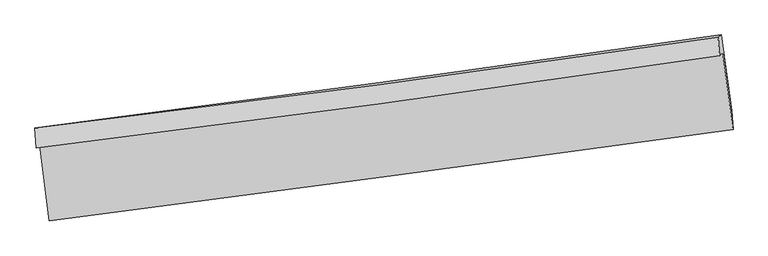
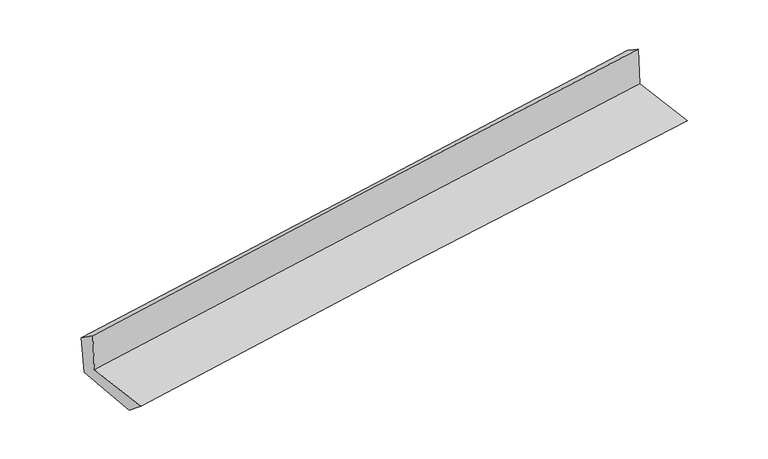
"""IFC4 building model written with IfcOpenShell, lengths in millimetres: proxy geometry."""

from ifc_helpers import new_model, si_unit, frame, origin, place, context, project, spatial, source, transform, mapped, element, save
from ifc_brep_helpers import plane_surface, spline_curve, spline_surface, advanced_brep


def generic_models_b5fe0876(model_context):
    return source(origin(), model_context, "Body", "AdvancedBrep", [
        advanced_brep(
        [(-2987.7286576, -1903.3652251, 1660.9405489), (-2904.0962414, -2561.4031109, 1643.1765909), (3035.7322627, -1765.0471079, 2107.598309), (2947.1005441, -1097.4068764, 2125.3309883), (-3016.1888562, -1926.8469503, 2046.5039006), (2918.2499232, -1121.2237324, 2516.4377281), (-3027.8721798, -1750.1725163, 1918.9871916), (2905.7814126, -961.1759428, 2413.2660253), (-2997.7412918, -1745.31773, 1541.4774585), (2934.3544219, -941.2117985, 2031.7129368), (-2914.2994117, -2385.1423033, 1498.1153575), (3024.122587, -1601.0730762, 1987.6429607)],
        [
            (0, 1),
            (1, 2, spline_curve(3, [(-2904.0962414, -2561.4031109, 1643.1765909), (-1915.565480581, -2431.096792033, 1735.730367241), (-926.560478254, -2299.614178166, 1820.693614879), (1053.381413483, -2034.16451668, 1975.515949354), (2044.319245591, -1900.195129412, 2045.359941466), (3035.7322627, -1765.0471079, 2107.598309)], [4, 2, 4], [0.0, 9.852910826853057, 19.71561406554074])),
            (2, 3),
            (3, 0, spline_curve(3, [(2947.1005441, -1097.4068764, 2125.3309883), (1957.93265566, -1244.086866633, 2062.841259582), (968.533852338, -1384.620364746, 1992.874258799), (-1009.743006503, -1653.260948423, 1838.062604929), (-1998.620603897, -1781.380232979, 1753.23279286), (-2987.7286576, -1903.3652251, 1660.9405489)], [4, 2, 4], [0.0, 9.862703238687685, 19.71561406554074])),
            (4, 0),
            (3, 5),
            (5, 4, spline_curve(3, [(2918.2499232, -1121.2237324, 2516.4377281), (1928.795674677, -1268.137479033, 2457.778196506), (939.286330122, -1408.75984234, 2389.262934925), (-1038.860039299, -1677.288427856, 2232.598764317), (-2027.496954374, -1805.207137563, 2144.469416798), (-3016.1888562, -1926.8469503, 2046.5039006)], [4, 2, 4], [0.0, 9.859914020212372, 19.710038397929857])),
            (6, 4),
            (5, 7),
            (7, 6, spline_curve(3, [(2905.7814126, -961.1759428, 2413.2660253), (1917.288326236, -1106.427442892, 2342.270311518), (928.324821685, -1244.832165133, 2265.559255977), (-1049.560643048, -1507.817433935, 2100.788301367), (-2038.481668939, -1632.411569248, 2012.739745464), (-3027.8721798, -1750.1725163, 1918.9871916)], [4, 2, 4], [0.0, 9.858992908210979, 19.708197088474314])),
            (8, 6),
            (7, 9),
            (9, 8, spline_curve(3, [(2934.3544219, -941.2117985, 2031.7129368), (1945.367630194, -1084.10458555, 1963.162689856), (956.287347705, -1222.590901255, 1888.011041676), (-1021.078075964, -1490.617465887, 1724.58611352), (-2009.363030963, -1620.166460585, 1636.325935361), (-2997.7412918, -1745.31773, 1541.4774585)], [4, 2, 4], [0.0, 9.858112141432704, 19.706436429407326])),
            (10, 8),
            (9, 11),
            (11, 10, spline_curve(3, [(3024.122587, -1601.0730762, 1987.6429607), (2033.472613432, -1737.116051198, 1919.559792584), (1043.033438705, -1870.507777477, 1844.700616027), (-936.440142278, -2131.858924631, 1681.511299745), (-1925.474967341, -2259.823607172, 1593.194608502), (-2914.2994117, -2385.1423033, 1498.1153575)], [4, 2, 4], [0.0, 9.86106245146563, 19.71233412018998])),
            (1, 10),
            (11, 2),
        ],
        [
            spline_surface(3, 3, [[(-2987.7286576, -1903.3652251, 1660.9405489), (-1998.620603906, -1781.380232998, 1753.232792709), (-1009.74300653, -1653.260948378, 1838.062605002), (968.533852365, -1384.620364791, 1992.874258726), (1957.932655518, -1244.086866511, 2062.841259569), (2947.1005441, -1097.4068764, 2125.3309883)], [(-2959.851185534, -2122.711187032, 1655.019229547), (-1970.935562793, -1997.952419349, 1747.398650886), (-982.015497087, -1868.712025022, 1832.272941584), (996.816372701, -1601.135082065, 1987.088155639), (1986.728185562, -1462.789620791, 2057.014153491), (2976.644450282, -1319.95362023, 2119.420095191)], [(-2931.973713466, -2342.057148968, 1649.097910253), (-1943.250521679, -2214.524605703, 1741.564509121), (-954.287987616, -2084.163101627, 1826.483278176), (1025.098893065, -1817.6497993, 1981.302052562), (2015.523715659, -1681.492375082, 2051.187047441), (3006.188356518, -1542.50036407, 2113.509202109)], [(-2904.0962414, -2561.4031109, 1643.1765909), (-1915.565480567, -2431.096792054, 1735.730367298), (-926.560478173, -2299.614178271, 1820.693614759), (1053.381413401, -2034.164516575, 1975.515949475), (2044.319245704, -1900.195129362, 2045.359941363), (3035.7322627, -1765.0471079, 2107.598309)]], [4, 4], [4, 2, 4], [0.0, 2.1443739406426614], [0.0, 9.852910826853057, 19.71561406554074]),
            spline_surface(3, 3, [[(-3016.1888562, -1926.8469503, 2046.5039006), (-2027.496954426, -1805.207137474, 2144.469416787), (-1038.860039165, -1677.288427973, 2232.598764401), (939.286329988, -1408.759842223, 2389.262934841), (1928.795674525, -1268.1374791, 2457.778196368), (2918.2499232, -1121.2237324, 2516.4377281)], [(-3006.702123351, -1919.019708564, 1917.982783381), (-2017.87150427, -1797.264835979, 2014.057208775), (-1029.154361612, -1669.279268082, 2101.086711275), (949.035504122, -1400.713349719, 2257.133376144), (1938.508001523, -1260.120608239, 2326.132550768), (2927.866796834, -1113.284780402, 2386.068814833)], [(-2997.215390449, -1911.192466836, 1789.461666119), (-2008.246054062, -1789.322534493, 1883.645000721), (-1019.448684084, -1661.270108269, 1969.574658127), (958.784678231, -1392.666857294, 2125.003817424), (1948.22032852, -1252.103737372, 2194.486905169), (2937.483670466, -1105.345828398, 2255.699901567)], [(-2987.7286576, -1903.3652251, 1660.9405489), (-1998.620603906, -1781.380232998, 1753.232792709), (-1009.74300653, -1653.260948378, 1838.062605002), (968.533852365, -1384.620364791, 1992.874258726), (1957.932655518, -1244.086866511, 2062.841259569), (2947.1005441, -1097.4068764, 2125.3309883)]], [4, 4], [4, 2, 4], [0.0, 1.3033768825376328], [0.0, 9.850124377717485, 19.710038397929857]),
            spline_surface(3, 3, [[(-3027.8721798, -1750.1725163, 1918.9871916), (-2038.481668921, -1632.411569359, 2012.739745397), (-1049.560642915, -1507.817433845, 2100.788301258), (928.324821551, -1244.832165223, 2265.559256087), (1917.28832635, -1106.427442905, 2342.270311433), (2905.7814126, -961.1759428, 2413.2660253)], [(-3023.9777386, -1809.063994292, 1961.492761265), (-2034.820097423, -1690.010092056, 2056.649635859), (-1045.993775008, -1564.307765239, 2144.725122294), (931.978657686, -1299.474724242, 2306.79381566), (1921.124109079, -1160.330788291, 2380.772939743), (2909.937582804, -1014.525205988, 2447.656592898)], [(-3020.0832974, -1867.955472308, 2003.998330935), (-2031.158525925, -1747.608614776, 2100.559526326), (-1042.426907071, -1620.798096579, 2188.661943365), (935.632493852, -1354.117283204, 2348.028375268), (1924.959891796, -1214.234133714, 2419.275568058), (2914.093752996, -1067.874469212, 2482.047160502)], [(-3016.1888562, -1926.8469503, 2046.5039006), (-2027.496954426, -1805.207137474, 2144.469416787), (-1038.860039165, -1677.288427973, 2232.598764401), (939.286329988, -1408.759842223, 2389.262934841), (1928.795674525, -1268.1374791, 2457.778196368), (2918.2499232, -1121.2237324, 2516.4377281)]], [4, 4], [4, 2, 4], [0.0, 0.6899591858090885], [0.0, 9.849204180263335, 19.708197088474314]),
            spline_surface(3, 3, [[(-2997.7412918, -1745.31773, 1541.4774585), (-2009.363031085, -1620.166460673, 1636.325935505), (-1021.078075865, -1490.617465936, 1724.586113447), (956.287347605, -1222.590901206, 1888.011041749), (1945.367630259, -1084.10458548, 1963.162689899), (2934.3544219, -941.2117985, 2031.7129368)], [(-3007.784921115, -1746.935992099, 1667.314036202), (-2019.069243678, -1624.248163567, 1761.797205472), (-1030.572264872, -1496.350788576, 1849.98684271), (946.966505596, -1230.004655882, 2013.860446522), (1936.007862293, -1091.545537972, 2089.531897089), (2924.83008547, -947.866513284, 2158.897299645)], [(-3017.828550485, -1748.554254201, 1793.150613898), (-2028.775456328, -1628.329866465, 1887.268475431), (-1040.066453907, -1502.084111204, 1975.387571994), (937.64566356, -1237.418410547, 2139.709851315), (1926.648094316, -1098.986490413, 2215.901104244), (2915.30574903, -954.521228016, 2286.081662455)], [(-3027.8721798, -1750.1725163, 1918.9871916), (-2038.481668921, -1632.411569359, 2012.739745397), (-1049.560642915, -1507.817433845, 2100.788301258), (928.324821551, -1244.832165223, 2265.559256087), (1917.28832635, -1106.427442905, 2342.270311433), (2905.7814126, -961.1759428, 2413.2660253)]], [4, 4], [4, 2, 4], [0.0, 1.2416187653508932], [0.0, 9.848324287974622, 19.706436429407326]),
            spline_surface(3, 3, [[(-2914.2994117, -2385.1423033, 1498.1153575), (-1925.474967184, -2259.823607149, 1593.194608399), (-936.440142382, -2131.858924518, 1681.51129964), (1043.033438808, -1870.50777759, 1844.700616131), (2033.472613556, -1737.116051162, 1919.559792612), (3024.122587, -1601.0730762, 1987.6429607)], [(-2942.113371732, -2171.867445539, 1512.569391156), (-1953.437655149, -2046.604558329, 1607.571717423), (-964.652786866, -1918.111771649, 1695.869570915), (1014.118075084, -1654.535485454, 1859.137424676), (2004.104285797, -1519.445562575, 1934.094091695), (2994.199865306, -1381.11931694, 2002.332952721)], [(-2969.927331768, -1958.592587761, 1527.023424844), (-1981.40034312, -1833.385509493, 1621.94882648), (-992.86543138, -1704.364618804, 1710.227842172), (985.20271133, -1438.563193342, 1873.574233204), (1974.735958019, -1301.775074067, 1948.628390816), (2964.277143594, -1161.16555776, 2017.022944779)], [(-2997.7412918, -1745.31773, 1541.4774585), (-2009.363031085, -1620.166460673, 1636.325935505), (-1021.078075865, -1490.617465936, 1724.586113447), (956.287347605, -1222.590901206, 1888.011041749), (1945.367630259, -1084.10458548, 1963.162689899), (2934.3544219, -941.2117985, 2031.7129368)]], [4, 4], [4, 2, 4], [0.0, 2.138079566304643], [0.0, 9.85127166872435, 19.71233412018998]),
            spline_surface(3, 3, [[(-2904.0962414, -2561.4031109, 1643.1765909), (-1915.565480567, -2431.096792054, 1735.730367298), (-926.560478173, -2299.614178271, 1820.693614759), (1053.381413401, -2034.164516575, 1975.515949475), (2044.319245704, -1900.195129362, 2045.359941363), (3035.7322627, -1765.0471079, 2107.598309)], [(-2907.49729817, -2502.649508374, 1594.822846449), (-1918.868642775, -2374.005730426, 1688.218447681), (-929.853699583, -2243.695760352, 1774.299509728), (1049.93208853, -1979.612270245, 1931.910838369), (2040.703701658, -1845.835436652, 2003.426558459), (3031.862370803, -1710.389097356, 2067.613192913)], [(-2910.89835493, -2443.895905826, 1546.469101951), (-1922.171804975, -2316.914668776, 1640.706528016), (-933.146920971, -2187.777342437, 1727.905404671), (1046.48276368, -1925.06002392, 1888.305727237), (2037.088157602, -1791.475743872, 1961.493175516), (3027.992478897, -1655.731086744, 2027.628076787)], [(-2914.2994117, -2385.1423033, 1498.1153575), (-1925.474967184, -2259.823607149, 1593.194608399), (-936.440142382, -2131.858924518, 1681.51129964), (1043.033438808, -1870.50777759, 1844.700616131), (2033.472613556, -1737.116051162, 1919.559792612), (3024.122587, -1601.0730762, 1987.6429607)]], [4, 4], [4, 2, 4], [0.0, 0.7020051184576896], [0.0, 9.85498661993727, 19.719767714756436]),
            plane_surface(frame((2960.8901919, -1247.8564223, 2196.9981581), z_axis=(0.9883421164492592, 0.12906092152703422, 0.08076595438173015), x_axis=(-0.07457552042540934, -0.05210639312424541, 0.9958531094237046))),
            plane_surface(frame((-2974.6544398, -2045.3746393, 1718.2001747), z_axis=(-0.9890677688828826, -0.12353024242241367, -0.08053091185437085), x_axis=(-0.12603424517818482, 0.9916646200649611, 0.026770325993186378))),
        ],
        [
            (0, [[1, 2, 3, 4]]),
            (1, [[5, -4, 6, 7]]),
            (2, [[8, -7, 9, 10]]),
            (3, [[11, -10, 12, 13]]),
            (4, [[14, -13, 15, 16]]),
            (5, [[17, -16, 18, -2]]),
            (6, [[-12, -9, -6, -3, -18, -15]]),
            (7, [[-1, -5, -8, -11, -14, -17]]),
        ],
    ),
    ])


if __name__ == "__main__":
    model = new_model("IFC4")
    model_context = context("Model", 3, world=origin())
    ifc_project = project(units=[si_unit("LENGTHUNIT", "METRE", prefix="MILLI")], contexts=[model_context])
    site = spatial("IfcSite", under=ifc_project)
    building = spatial("IfcBuilding", under=site)
    placement = place(None, origin())
    generic_models_shape = generic_models_b5fe0876(model_context)
    element("IfcBuildingElementProxy", 1, Name="Generic Models", at=placement, inside=building, context=model_context, shape_type="MappedRepresentation", body=[
        mapped(generic_models_shape, transform((0.0, 0.0, 0.0), x_axis=(1.0, 0.0, 0.0), y_axis=(0.0, 1.0, 0.0), z_axis=(0.0, 0.0, 1.0))),
    ])
    save(model, "model.ifc")
